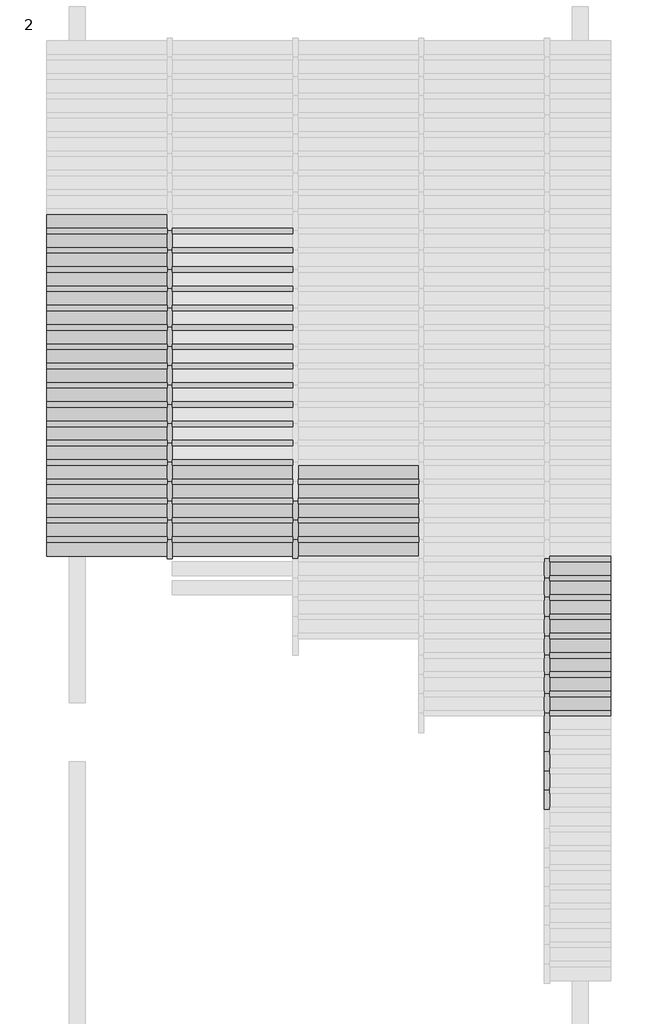
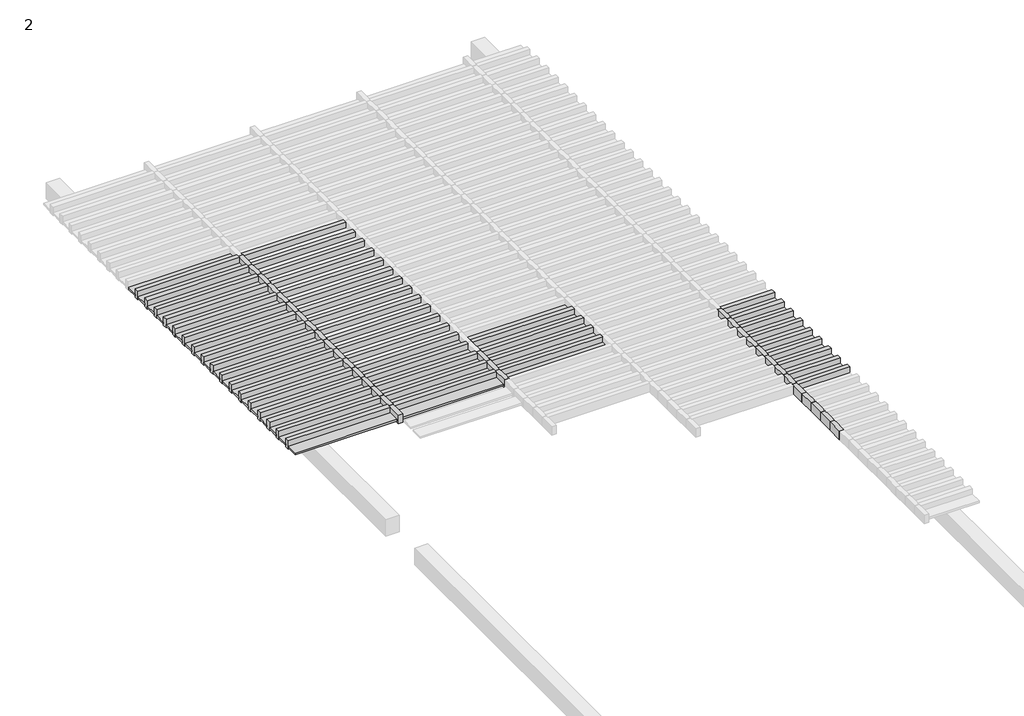
# One storey, part 17 of 20: 80 members, 36 plates.
"""IFC4 building model written with IfcOpenShell, lengths in millimetres."""

import ifcopenshell
import ifcopenshell.guid

model = None  # the IFC model being written
_history = None  # IfcOwnerHistory: only IFC2X3 demands one
_inside = {}  # id of a spatial element -> (the spatial element, [elements in it])
_under = {}  # id of a project, library or spatial element -> (it, [spatial elements below it])
_declared = {}  # id of a project -> (the project, [libraries it declares])
_typed = {}  # id of a type object -> (the type object, [elements of that type])
_made_of = {}  # id of a material, layer set ... -> (it, [elements and type objects made of it])


def new_model(schema):
    """Start an empty IFC model of exactly this schema.

    Asked for "IFC4X3", IfcOpenShell would pick the latest addendum, in which some entities
    have other attributes; the version numbers below select the first issue.
    IFC2X3 requires an IfcOwnerHistory on every rooted entity: one is made here for all.
    """
    global model, _history
    if schema == "IFC4X3":
        model = ifcopenshell.file(schema_version=(4, 3, 0, 0))
    else:
        model = ifcopenshell.file(schema=schema)
    _inside.clear()
    _under.clear()
    _declared.clear()
    _typed.clear()
    _made_of.clear()
    _history = None
    if model.schema == "IFC2X3":
        org = make("IfcOrganization", Name="unknown")
        user = make(
            "IfcPersonAndOrganization",
            ThePerson=make("IfcPerson", FamilyName="unknown"),
            TheOrganization=org,
        )
        app = make(
            "IfcApplication",
            ApplicationDeveloper=org,
            Version="unknown",
            ApplicationFullName="unknown",
            ApplicationIdentifier="unknown",
        )
        _history = make(
            "IfcOwnerHistory",
            OwningUser=user,
            OwningApplication=app,
            ChangeAction="ADDED",
            CreationDate=0,
        )
    return model


def make(cls, **values):
    """One entity of the class cls with the attributes given. An attribute that is None is left unset."""
    return model.create_entity(
        cls, **{name: value for name, value in values.items() if value is not None}
    )


def rooted(cls, **values):
    """An entity with a GlobalId (a new one), such as an element, a storey or a relation."""
    return make(cls, GlobalId=ifcopenshell.guid.new(), OwnerHistory=_history, **values)


def si_unit(unit_type, name, prefix=None):
    """IfcSIUnit, for example si_unit("LENGTHUNIT", "METRE", prefix="MILLI")."""
    return make("IfcSIUnit", UnitType=unit_type, Prefix=prefix, Name=name)


def assignment(units):
    """IfcUnitAssignment: the units of a project."""
    return None if units is None else make("IfcUnitAssignment", Units=units)


def point(xyz):
    """IfcCartesianPoint."""
    return None if xyz is None else make("IfcCartesianPoint", Coordinates=xyz)


def direction(xyz):
    """IfcDirection."""
    return None if xyz is None else make("IfcDirection", DirectionRatios=xyz)


def frame(location, z_axis=None, x_axis=None):
    """IfcAxis2Placement3D, a coordinate frame: its origin and axes. An axis left out is left unset."""
    return make(
        "IfcAxis2Placement3D",
        Location=point(location),
        Axis=direction(z_axis),
        RefDirection=direction(x_axis),
    )


def origin():
    """The frame at (0, 0, 0) with its axes left unset."""
    return frame((0.0, 0.0, 0.0))


def origin_with_axes():
    """The frame at (0, 0, 0) with the z axis (0, 0, 1) and the x axis (1, 0, 0) written out."""
    return frame((0.0, 0.0, 0.0), z_axis=(0.0, 0.0, 1.0), x_axis=(1.0, 0.0, 0.0))


def place(relative_to, where):
    """IfcLocalPlacement: puts the frame where relative to a parent placement (None: the world)."""
    return make(
        "IfcLocalPlacement", PlacementRelTo=relative_to, RelativePlacement=where
    )


def context(
    kind, dimensions, precision=None, world=None, true_north=None, identifier=None
):
    """IfcGeometricRepresentationContext, for example the 3D "Model" context."""
    return make(
        "IfcGeometricRepresentationContext",
        ContextIdentifier=identifier,
        ContextType=kind,
        CoordinateSpaceDimension=dimensions,
        Precision=precision,
        WorldCoordinateSystem=world,
        TrueNorth=true_north,
    )


def project(units=None, contexts=None):
    """IfcProject with its units and contexts."""
    return rooted(
        "IfcProject",
        Name="project",
        RepresentationContexts=contexts,
        UnitsInContext=assignment(units),
    )


def spatial(cls, under=None, at=None, **own):
    """A site, building, storey or space (cls), placed at a placement, below another one or the project."""
    s = rooted(cls, ObjectPlacement=at, **own)
    if under is not None:
        _under.setdefault(under.id(), (under, []))[1].append(s)
    return s


def polyline(points):
    """IfcPolyline through the points."""
    return make("IfcPolyline", Points=[point(p) for p in points])


def outline(outer, holes=None, kind="AREA"):
    """IfcArbitraryClosedProfileDef: a profile drawn as a closed curve; with holes, ...WithVoids."""
    if holes is None:
        return make("IfcArbitraryClosedProfileDef", ProfileType=kind, OuterCurve=outer)
    return make(
        "IfcArbitraryProfileDefWithVoids",
        ProfileType=kind,
        OuterCurve=outer,
        InnerCurves=holes,
    )


def extrude(swept, where, along, depth):
    """IfcExtrudedAreaSolid: the profile swept, set in the frame where, extruded along a direction by depth."""
    return make(
        "IfcExtrudedAreaSolid",
        SweptArea=swept,
        Position=where,
        ExtrudedDirection=direction(along),
        Depth=depth,
    )


def shape(context_of_items, identifier, shape_type, items):
    """IfcShapeRepresentation: the items that make up one representation, for example the "Body"."""
    return make(
        "IfcShapeRepresentation",
        ContextOfItems=context_of_items,
        RepresentationIdentifier=identifier,
        RepresentationType=shape_type,
        Items=items,
    )


def source(mapping_origin, context_of_items, identifier, shape_type, items):
    """IfcRepresentationMap: a shape defined once, which mapped items show again and again."""
    return make(
        "IfcRepresentationMap",
        MappingOrigin=mapping_origin,
        MappedRepresentation=shape(context_of_items, identifier, shape_type, items),
    )


def transform(
    local_origin,
    x_axis=None,
    y_axis=None,
    z_axis=None,
    scale=None,
    scale2=None,
    scale3=None,
    uniform=True,
):
    """IfcCartesianTransformationOperator3D, or its non-uniform kind. x_axis, y_axis, z_axis: its Axis1, 2, 3."""
    if uniform:
        return make(
            "IfcCartesianTransformationOperator3D",
            Axis1=direction(x_axis),
            Axis2=direction(y_axis),
            LocalOrigin=point(local_origin),
            Scale=scale,
            Axis3=direction(z_axis),
        )
    return make(
        "IfcCartesianTransformationOperator3DnonUniform",
        Axis1=direction(x_axis),
        Axis2=direction(y_axis),
        LocalOrigin=point(local_origin),
        Scale=scale,
        Axis3=direction(z_axis),
        Scale2=scale2,
        Scale3=scale3,
    )


def mapped(mapping_source, mapping_target):
    """IfcMappedItem: shows the shape of a source again, moved by a transform."""
    return make(
        "IfcMappedItem", MappingSource=mapping_source, MappingTarget=mapping_target
    )


def made_of(thing, what):
    """Note that an element or type object is made of a material, layer set ...; save() writes the relation."""
    if what is not None:
        _made_of.setdefault(what.id(), (what, []))[1].append(thing)
    return thing


def element(
    cls,
    number,
    at=None,
    inside=None,
    cuts=None,
    type_object=None,
    material=None,
    context=None,
    identifier="Body",
    shape_type=None,
    held_by="IfcProductDefinitionShape",
    body=None,
    shapes=None,
    **own,
):
    """One element of the class cls, such as IfcWall. Its Tag is "e" and its number.

    at: its placement. inside: the storey or other place that contains it. cuts: it is an
    opening in that element (IfcRelVoidsElement). A single representation is given by context,
    identifier, shape_type and body (its items); several are given by shapes. held_by: the class
    of the entity that holds the representations. save() writes the other relations.
    """
    e = rooted(cls, Tag="e%d" % number, ObjectPlacement=at, **own)
    if body is not None:
        shapes = [shape(context, identifier, shape_type, body)]
    if shapes is not None:
        e.Representation = make(held_by, Representations=shapes)
    if inside is not None:
        _inside.setdefault(inside.id(), (inside, []))[1].append(e)
    if cuts is not None:
        rooted(
            "IfcRelVoidsElement", RelatingBuildingElement=cuts, RelatedOpeningElement=e
        )
    if type_object is not None:
        _typed.setdefault(type_object.id(), (type_object, []))[1].append(e)
    return made_of(e, material)


def aggregate(whole, parts):
    """IfcRelAggregates: a whole, such as a stair, and the parts it consists of."""
    return rooted("IfcRelAggregates", RelatingObject=whole, RelatedObjects=parts)


def save(model, path):
    """Write the relations noted so far, then the file.

    IfcRelAggregates (storeys below a building ...), IfcRelContainedInSpatialStructure (elements
    in a storey), IfcRelDefinesByType, IfcRelAssociatesMaterial and IfcRelDeclares: one each for
    every whole, place, type object, material and project.
    """
    for whole, parts in _under.values():
        aggregate(whole, parts)
    for where, things in _inside.values():
        rooted(
            "IfcRelContainedInSpatialStructure",
            RelatedElements=things,
            RelatingStructure=where,
        )
    for kind, things in _typed.values():
        rooted("IfcRelDefinesByType", RelatedObjects=things, RelatingType=kind)
    for what, things in _made_of.values():
        rooted("IfcRelAssociatesMaterial", RelatedObjects=things, RelatingMaterial=what)
    for by, libraries in _declared.values():
        rooted("IfcRelDeclares", RelatingContext=by, RelatedDefinitions=libraries)
    model.write(path)


def rectangular_mullion_rectangular_mullion_1_2e36edf5(model_context):
    return source(origin(), model_context, "Body", "SweptSolid", [
        extrude(outline(polyline([(31.75, 63.5), (31.75, -63.5), (-31.75, -63.5), (-31.75, 63.5), (31.75, 63.5)])), frame((0.0, 0.0, -1436.5), z_axis=(0.0, 0.0, 1.0), x_axis=(1.0, 0.0, 0.0)), (0.0, 0.0, 1.0), 1436.5),
    ])


def rectangular_mullion_rectangular_mullion_1_a65447c9(model_context):
    return source(origin(), model_context, "Body", "SweptSolid", [
        extrude(outline(polyline([(31.75, 63.5), (31.75, -63.5), (-31.75, -63.5), (-31.75, 63.5), (31.75, 63.5)])), frame((0.0, 0.0, -728.9), z_axis=(0.0, 0.0, 1.0), x_axis=(1.0, 0.0, 0.0)), (0.0, 0.0, 1.0), 728.9),
    ])


def rectangular_mullion_rectangular_mullion_1_d94df714(model_context):
    return source(origin(), model_context, "Body", "SweptSolid", [
        extrude(outline(polyline([(31.75, 63.5), (31.75, -63.5), (-31.75, -63.5), (-31.75, 63.5), (31.75, 63.5)])), frame((0.0, 0.0, -230.0), z_axis=(0.0, 0.0, 1.0), x_axis=(1.0, 0.0, 0.0)), (0.0, 0.0, 1.0), 230.0),
    ])


def system_panel_glazed_08e8e96b(model_context):
    return source(origin(), model_context, "Body", "SweptSolid", [
        extrude(outline(polyline([(718.25, 19.05), (-718.25, 19.05), (-718.25, 44.45), (718.25, 44.45), (718.25, 19.05)])), origin_with_axes(), (0.0, 0.0, 1.0), 166.5),
    ])


def system_panel_glazed_44abc083(model_context):
    return source(origin(), model_context, "Body", "SweptSolid", [
        extrude(outline(polyline([(364.45, 19.05), (-364.45, 19.05), (-364.45, 44.45), (364.45, 44.45), (364.45, 19.05)])), origin_with_axes(), (0.0, 0.0, 1.0), 166.5),
    ])


model = new_model("IFC4")

# Units and contexts
model_context = context("Model", 3, world=origin())
ifc_project = project(units=[si_unit("LENGTHUNIT", "METRE", prefix="MILLI")], contexts=[model_context])

# Site, building, storey
site = spatial("IfcSite", under=ifc_project)
building = spatial("IfcBuilding", under=site)
storey = spatial("IfcBuildingStorey", under=building, Name="2", Elevation=6840.0)

# Members
placement = place(None, origin())
rectangular_mullion_rectangular_mullion_1_shape = rectangular_mullion_rectangular_mullion_1_2e36edf5(model_context)
element("IfcMember", 1, ObjectType="Rectangular Mullion : Rectangular Mullion 1", at=placement, inside=storey, context=model_context, shape_type="MappedRepresentation", body=[
    mapped(rectangular_mullion_rectangular_mullion_1_shape, transform((2077.9371269, 8225.1945338, 6840.0), x_axis=(0.0, 1.0, 0.0), y_axis=(0.0, 0.0, -1.0), z_axis=(-1.0, 0.0, 0.0))),
])
element("IfcMember", 2, ObjectType="Rectangular Mullion : Rectangular Mullion 1", at=placement, inside=storey, context=model_context, shape_type="MappedRepresentation", body=[
    mapped(rectangular_mullion_rectangular_mullion_1_shape, transform((2077.9371269, 8455.1945338, 6840.0), x_axis=(0.0, 1.0, 0.0), y_axis=(0.0, 0.0, -1.0), z_axis=(-1.0, 0.0, 0.0))),
])
element("IfcMember", 3, ObjectType="Rectangular Mullion : Rectangular Mullion 1", at=placement, inside=storey, context=model_context, shape_type="MappedRepresentation", body=[
    mapped(rectangular_mullion_rectangular_mullion_1_shape, transform((2077.9371269, 8685.1945338, 6840.0), x_axis=(0.0, 1.0, 0.0), y_axis=(0.0, 0.0, -1.0), z_axis=(-1.0, 0.0, 0.0))),
])
element("IfcMember", 4, ObjectType="Rectangular Mullion : Rectangular Mullion 1", at=placement, inside=storey, context=model_context, shape_type="MappedRepresentation", body=[
    mapped(rectangular_mullion_rectangular_mullion_1_shape, transform((2077.9371269, 8915.1945338, 6840.0), x_axis=(0.0, 1.0, 0.0), y_axis=(0.0, 0.0, -1.0), z_axis=(-1.0, 0.0, 0.0))),
])
element("IfcMember", 5, ObjectType="Rectangular Mullion : Rectangular Mullion 1", at=placement, inside=storey, context=model_context, shape_type="MappedRepresentation", body=[
    mapped(rectangular_mullion_rectangular_mullion_1_shape, transform((2077.9371269, 9145.1945338, 6840.0), x_axis=(0.0, 1.0, 0.0), y_axis=(0.0, 0.0, -1.0), z_axis=(-1.0, 0.0, 0.0))),
])
element("IfcMember", 6, ObjectType="Rectangular Mullion : Rectangular Mullion 1", at=placement, inside=storey, context=model_context, shape_type="MappedRepresentation", body=[
    mapped(rectangular_mullion_rectangular_mullion_1_shape, transform((2077.9371269, 9375.1945338, 6840.0), x_axis=(0.0, 1.0, 0.0), y_axis=(0.0, 0.0, -1.0), z_axis=(-1.0, 0.0, 0.0))),
])
element("IfcMember", 7, ObjectType="Rectangular Mullion : Rectangular Mullion 1", at=placement, inside=storey, context=model_context, shape_type="MappedRepresentation", body=[
    mapped(rectangular_mullion_rectangular_mullion_1_shape, transform((2077.9371269, 9605.1945338, 6840.0), x_axis=(0.0, 1.0, 0.0), y_axis=(0.0, 0.0, -1.0), z_axis=(-1.0, 0.0, 0.0))),
])
element("IfcMember", 8, ObjectType="Rectangular Mullion : Rectangular Mullion 1", at=placement, inside=storey, context=model_context, shape_type="MappedRepresentation", body=[
    mapped(rectangular_mullion_rectangular_mullion_1_shape, transform((2077.9371269, 9835.1945338, 6840.0), x_axis=(0.0, 1.0, 0.0), y_axis=(0.0, 0.0, -1.0), z_axis=(-1.0, 0.0, 0.0))),
])
element("IfcMember", 9, ObjectType="Rectangular Mullion : Rectangular Mullion 1", at=placement, inside=storey, context=model_context, shape_type="MappedRepresentation", body=[
    mapped(rectangular_mullion_rectangular_mullion_1_shape, transform((2077.9371269, 10065.1945338, 6840.0), x_axis=(0.0, 1.0, 0.0), y_axis=(0.0, 0.0, -1.0), z_axis=(-1.0, 0.0, 0.0))),
])
element("IfcMember", 10, ObjectType="Rectangular Mullion : Rectangular Mullion 1", at=placement, inside=storey, context=model_context, shape_type="MappedRepresentation", body=[
    mapped(rectangular_mullion_rectangular_mullion_1_shape, transform((2077.9371269, 10295.1945338, 6840.0), x_axis=(0.0, 1.0, 0.0), y_axis=(0.0, 0.0, -1.0), z_axis=(-1.0, 0.0, 0.0))),
])
element("IfcMember", 11, ObjectType="Rectangular Mullion : Rectangular Mullion 1", at=placement, inside=storey, context=model_context, shape_type="MappedRepresentation", body=[
    mapped(rectangular_mullion_rectangular_mullion_1_shape, transform((2077.9371269, 10525.1945338, 6840.0), x_axis=(0.0, 1.0, 0.0), y_axis=(0.0, 0.0, -1.0), z_axis=(-1.0, 0.0, 0.0))),
])
element("IfcMember", 12, ObjectType="Rectangular Mullion : Rectangular Mullion 1", at=placement, inside=storey, context=model_context, shape_type="MappedRepresentation", body=[
    mapped(rectangular_mullion_rectangular_mullion_1_shape, transform((2077.9371269, 10755.1945338, 6840.0), x_axis=(0.0, 1.0, 0.0), y_axis=(0.0, 0.0, -1.0), z_axis=(-1.0, 0.0, 0.0))),
])
element("IfcMember", 13, ObjectType="Rectangular Mullion : Rectangular Mullion 1", at=placement, inside=storey, context=model_context, shape_type="MappedRepresentation", body=[
    mapped(rectangular_mullion_rectangular_mullion_1_shape, transform((2077.9371269, 10985.1945338, 6840.0), x_axis=(0.0, 1.0, 0.0), y_axis=(0.0, 0.0, -1.0), z_axis=(-1.0, 0.0, 0.0))),
])
element("IfcMember", 14, ObjectType="Rectangular Mullion : Rectangular Mullion 1", at=placement, inside=storey, context=model_context, shape_type="MappedRepresentation", body=[
    mapped(rectangular_mullion_rectangular_mullion_1_shape, transform((2077.9371269, 11215.1945338, 6840.0), x_axis=(0.0, 1.0, 0.0), y_axis=(0.0, 0.0, -1.0), z_axis=(-1.0, 0.0, 0.0))),
])
element("IfcMember", 15, ObjectType="Rectangular Mullion : Rectangular Mullion 1", at=placement, inside=storey, context=model_context, shape_type="MappedRepresentation", body=[
    mapped(rectangular_mullion_rectangular_mullion_1_shape, transform((2077.9371269, 11445.1945338, 6840.0), x_axis=(0.0, 1.0, 0.0), y_axis=(0.0, 0.0, -1.0), z_axis=(-1.0, 0.0, 0.0))),
])
element("IfcMember", 16, ObjectType="Rectangular Mullion : Rectangular Mullion 1", at=placement, inside=storey, context=model_context, shape_type="MappedRepresentation", body=[
    mapped(rectangular_mullion_rectangular_mullion_1_shape, transform((2077.9371269, 11675.1945338, 6840.0), x_axis=(0.0, 1.0, 0.0), y_axis=(0.0, 0.0, -1.0), z_axis=(-1.0, 0.0, 0.0))),
])
element("IfcMember", 17, ObjectType="Rectangular Mullion : Rectangular Mullion 1", at=placement, inside=storey, context=model_context, shape_type="MappedRepresentation", body=[
    mapped(rectangular_mullion_rectangular_mullion_1_shape, transform((2077.9371269, 11905.1945338, 6840.0), x_axis=(0.0, 1.0, 0.0), y_axis=(0.0, 0.0, -1.0), z_axis=(-1.0, 0.0, 0.0))),
])
element("IfcMember", 18, ObjectType="Rectangular Mullion : Rectangular Mullion 1", at=placement, inside=storey, context=model_context, shape_type="MappedRepresentation", body=[
    mapped(rectangular_mullion_rectangular_mullion_1_shape, transform((3577.9371269, 8225.1945338, 6840.0), x_axis=(0.0, 1.0, 0.0), y_axis=(0.0, 0.0, -1.0), z_axis=(-1.0, 0.0, 0.0))),
])
element("IfcMember", 19, ObjectType="Rectangular Mullion : Rectangular Mullion 1", at=placement, inside=storey, context=model_context, shape_type="MappedRepresentation", body=[
    mapped(rectangular_mullion_rectangular_mullion_1_shape, transform((5077.9371269, 8225.1945338, 6840.0), x_axis=(0.0, 1.0, 0.0), y_axis=(0.0, 0.0, -1.0), z_axis=(-1.0, 0.0, 0.0))),
])
element("IfcMember", 20, ObjectType="Rectangular Mullion : Rectangular Mullion 1", at=placement, inside=storey, context=model_context, shape_type="MappedRepresentation", body=[
    mapped(rectangular_mullion_rectangular_mullion_1_shape, transform((3577.9371269, 8455.1945338, 6840.0), x_axis=(0.0, 1.0, 0.0), y_axis=(0.0, 0.0, -1.0), z_axis=(-1.0, 0.0, 0.0))),
])
element("IfcMember", 21, ObjectType="Rectangular Mullion : Rectangular Mullion 1", at=placement, inside=storey, context=model_context, shape_type="MappedRepresentation", body=[
    mapped(rectangular_mullion_rectangular_mullion_1_shape, transform((5077.9371269, 8455.1945338, 6840.0), x_axis=(0.0, 1.0, 0.0), y_axis=(0.0, 0.0, -1.0), z_axis=(-1.0, 0.0, 0.0))),
])
element("IfcMember", 22, ObjectType="Rectangular Mullion : Rectangular Mullion 1", at=placement, inside=storey, context=model_context, shape_type="MappedRepresentation", body=[
    mapped(rectangular_mullion_rectangular_mullion_1_shape, transform((3577.9371269, 8685.1945338, 6840.0), x_axis=(0.0, 1.0, 0.0), y_axis=(0.0, 0.0, -1.0), z_axis=(-1.0, 0.0, 0.0))),
])
element("IfcMember", 23, ObjectType="Rectangular Mullion : Rectangular Mullion 1", at=placement, inside=storey, context=model_context, shape_type="MappedRepresentation", body=[
    mapped(rectangular_mullion_rectangular_mullion_1_shape, transform((5077.9371269, 8685.1945338, 6840.0), x_axis=(0.0, 1.0, 0.0), y_axis=(0.0, 0.0, -1.0), z_axis=(-1.0, 0.0, 0.0))),
])
element("IfcMember", 24, ObjectType="Rectangular Mullion : Rectangular Mullion 1", at=placement, inside=storey, context=model_context, shape_type="MappedRepresentation", body=[
    mapped(rectangular_mullion_rectangular_mullion_1_shape, transform((3577.9371269, 8915.1945338, 6840.0), x_axis=(0.0, 1.0, 0.0), y_axis=(0.0, 0.0, -1.0), z_axis=(-1.0, 0.0, 0.0))),
])
element("IfcMember", 25, ObjectType="Rectangular Mullion : Rectangular Mullion 1", at=placement, inside=storey, context=model_context, shape_type="MappedRepresentation", body=[
    mapped(rectangular_mullion_rectangular_mullion_1_shape, transform((5077.9371269, 8915.1945338, 6840.0), x_axis=(0.0, 1.0, 0.0), y_axis=(0.0, 0.0, -1.0), z_axis=(-1.0, 0.0, 0.0))),
])
element("IfcMember", 26, ObjectType="Rectangular Mullion : Rectangular Mullion 1", at=placement, inside=storey, context=model_context, shape_type="MappedRepresentation", body=[
    mapped(rectangular_mullion_rectangular_mullion_1_shape, transform((3577.9371269, 9145.1945338, 6840.0), x_axis=(0.0, 1.0, 0.0), y_axis=(0.0, 0.0, -1.0), z_axis=(-1.0, 0.0, 0.0))),
])
element("IfcMember", 27, ObjectType="Rectangular Mullion : Rectangular Mullion 1", at=placement, inside=storey, context=model_context, shape_type="MappedRepresentation", body=[
    mapped(rectangular_mullion_rectangular_mullion_1_shape, transform((3577.9371269, 9375.1945338, 6840.0), x_axis=(0.0, 1.0, 0.0), y_axis=(0.0, 0.0, -1.0), z_axis=(-1.0, 0.0, 0.0))),
])
element("IfcMember", 28, ObjectType="Rectangular Mullion : Rectangular Mullion 1", at=placement, inside=storey, context=model_context, shape_type="MappedRepresentation", body=[
    mapped(rectangular_mullion_rectangular_mullion_1_shape, transform((3577.9371269, 9605.1945338, 6840.0), x_axis=(0.0, 1.0, 0.0), y_axis=(0.0, 0.0, -1.0), z_axis=(-1.0, 0.0, 0.0))),
])
element("IfcMember", 29, ObjectType="Rectangular Mullion : Rectangular Mullion 1", at=placement, inside=storey, context=model_context, shape_type="MappedRepresentation", body=[
    mapped(rectangular_mullion_rectangular_mullion_1_shape, transform((3577.9371269, 9835.1945338, 6840.0), x_axis=(0.0, 1.0, 0.0), y_axis=(0.0, 0.0, -1.0), z_axis=(-1.0, 0.0, 0.0))),
])
element("IfcMember", 30, ObjectType="Rectangular Mullion : Rectangular Mullion 1", at=placement, inside=storey, context=model_context, shape_type="MappedRepresentation", body=[
    mapped(rectangular_mullion_rectangular_mullion_1_shape, transform((3577.9371269, 10065.1945338, 6840.0), x_axis=(0.0, 1.0, 0.0), y_axis=(0.0, 0.0, -1.0), z_axis=(-1.0, 0.0, 0.0))),
])
element("IfcMember", 31, ObjectType="Rectangular Mullion : Rectangular Mullion 1", at=placement, inside=storey, context=model_context, shape_type="MappedRepresentation", body=[
    mapped(rectangular_mullion_rectangular_mullion_1_shape, transform((3577.9371269, 10295.1945338, 6840.0), x_axis=(0.0, 1.0, 0.0), y_axis=(0.0, 0.0, -1.0), z_axis=(-1.0, 0.0, 0.0))),
])
element("IfcMember", 32, ObjectType="Rectangular Mullion : Rectangular Mullion 1", at=placement, inside=storey, context=model_context, shape_type="MappedRepresentation", body=[
    mapped(rectangular_mullion_rectangular_mullion_1_shape, transform((3577.9371269, 10525.1945338, 6840.0), x_axis=(0.0, 1.0, 0.0), y_axis=(0.0, 0.0, -1.0), z_axis=(-1.0, 0.0, 0.0))),
])
element("IfcMember", 33, ObjectType="Rectangular Mullion : Rectangular Mullion 1", at=placement, inside=storey, context=model_context, shape_type="MappedRepresentation", body=[
    mapped(rectangular_mullion_rectangular_mullion_1_shape, transform((3577.9371269, 10755.1945338, 6840.0), x_axis=(0.0, 1.0, 0.0), y_axis=(0.0, 0.0, -1.0), z_axis=(-1.0, 0.0, 0.0))),
])
element("IfcMember", 34, ObjectType="Rectangular Mullion : Rectangular Mullion 1", at=placement, inside=storey, context=model_context, shape_type="MappedRepresentation", body=[
    mapped(rectangular_mullion_rectangular_mullion_1_shape, transform((3577.9371269, 10985.1945338, 6840.0), x_axis=(0.0, 1.0, 0.0), y_axis=(0.0, 0.0, -1.0), z_axis=(-1.0, 0.0, 0.0))),
])
element("IfcMember", 35, ObjectType="Rectangular Mullion : Rectangular Mullion 1", at=placement, inside=storey, context=model_context, shape_type="MappedRepresentation", body=[
    mapped(rectangular_mullion_rectangular_mullion_1_shape, transform((3577.9371269, 11215.1945338, 6840.0), x_axis=(0.0, 1.0, 0.0), y_axis=(0.0, 0.0, -1.0), z_axis=(-1.0, 0.0, 0.0))),
])
element("IfcMember", 36, ObjectType="Rectangular Mullion : Rectangular Mullion 1", at=placement, inside=storey, context=model_context, shape_type="MappedRepresentation", body=[
    mapped(rectangular_mullion_rectangular_mullion_1_shape, transform((3577.9371269, 11445.1945338, 6840.0), x_axis=(0.0, 1.0, 0.0), y_axis=(0.0, 0.0, -1.0), z_axis=(-1.0, 0.0, 0.0))),
])
element("IfcMember", 37, ObjectType="Rectangular Mullion : Rectangular Mullion 1", at=placement, inside=storey, context=model_context, shape_type="MappedRepresentation", body=[
    mapped(rectangular_mullion_rectangular_mullion_1_shape, transform((3577.9371269, 11675.1945338, 6840.0), x_axis=(0.0, 1.0, 0.0), y_axis=(0.0, 0.0, -1.0), z_axis=(-1.0, 0.0, 0.0))),
])
element("IfcMember", 38, ObjectType="Rectangular Mullion : Rectangular Mullion 1", at=placement, inside=storey, context=model_context, shape_type="MappedRepresentation", body=[
    mapped(rectangular_mullion_rectangular_mullion_1_shape, transform((3577.9371269, 11905.1945338, 6840.0), x_axis=(0.0, 1.0, 0.0), y_axis=(0.0, 0.0, -1.0), z_axis=(-1.0, 0.0, 0.0))),
])
rectangular_mullion_rectangular_mullion_1_2_shape = rectangular_mullion_rectangular_mullion_1_a65447c9(model_context)
element("IfcMember", 39, ObjectType="Rectangular Mullion : Rectangular Mullion 1", at=placement, inside=storey, context=model_context, shape_type="MappedRepresentation", body=[
    mapped(rectangular_mullion_rectangular_mullion_1_2_shape, transform((8077.9371269, 6155.1945338, 6840.0), x_axis=(0.0, 1.0, 0.0), y_axis=(0.0, 0.0, -1.0), z_axis=(-1.0, 0.0, 0.0))),
])
element("IfcMember", 40, ObjectType="Rectangular Mullion : Rectangular Mullion 1", at=placement, inside=storey, context=model_context, shape_type="MappedRepresentation", body=[
    mapped(rectangular_mullion_rectangular_mullion_1_2_shape, transform((8077.9371269, 6385.1945338, 6840.0), x_axis=(0.0, 1.0, 0.0), y_axis=(0.0, 0.0, -1.0), z_axis=(-1.0, 0.0, 0.0))),
])
element("IfcMember", 41, ObjectType="Rectangular Mullion : Rectangular Mullion 1", at=placement, inside=storey, context=model_context, shape_type="MappedRepresentation", body=[
    mapped(rectangular_mullion_rectangular_mullion_1_2_shape, transform((8077.9371269, 6615.1945338, 6840.0), x_axis=(0.0, 1.0, 0.0), y_axis=(0.0, 0.0, -1.0), z_axis=(-1.0, 0.0, 0.0))),
])
element("IfcMember", 42, ObjectType="Rectangular Mullion : Rectangular Mullion 1", at=placement, inside=storey, context=model_context, shape_type="MappedRepresentation", body=[
    mapped(rectangular_mullion_rectangular_mullion_1_2_shape, transform((8077.9371269, 6845.1945338, 6840.0), x_axis=(0.0, 1.0, 0.0), y_axis=(0.0, 0.0, -1.0), z_axis=(-1.0, 0.0, 0.0))),
])
element("IfcMember", 43, ObjectType="Rectangular Mullion : Rectangular Mullion 1", at=placement, inside=storey, context=model_context, shape_type="MappedRepresentation", body=[
    mapped(rectangular_mullion_rectangular_mullion_1_2_shape, transform((8077.9371269, 7075.1945338, 6840.0), x_axis=(0.0, 1.0, 0.0), y_axis=(0.0, 0.0, -1.0), z_axis=(-1.0, 0.0, 0.0))),
])
element("IfcMember", 44, ObjectType="Rectangular Mullion : Rectangular Mullion 1", at=placement, inside=storey, context=model_context, shape_type="MappedRepresentation", body=[
    mapped(rectangular_mullion_rectangular_mullion_1_2_shape, transform((8077.9371269, 7305.1945338, 6840.0), x_axis=(0.0, 1.0, 0.0), y_axis=(0.0, 0.0, -1.0), z_axis=(-1.0, 0.0, 0.0))),
])
element("IfcMember", 45, ObjectType="Rectangular Mullion : Rectangular Mullion 1", at=placement, inside=storey, context=model_context, shape_type="MappedRepresentation", body=[
    mapped(rectangular_mullion_rectangular_mullion_1_2_shape, transform((8077.9371269, 7535.1945338, 6840.0), x_axis=(0.0, 1.0, 0.0), y_axis=(0.0, 0.0, -1.0), z_axis=(-1.0, 0.0, 0.0))),
])
element("IfcMember", 46, ObjectType="Rectangular Mullion : Rectangular Mullion 1", at=placement, inside=storey, context=model_context, shape_type="MappedRepresentation", body=[
    mapped(rectangular_mullion_rectangular_mullion_1_2_shape, transform((8077.9371269, 7765.1945338, 6840.0), x_axis=(0.0, 1.0, 0.0), y_axis=(0.0, 0.0, -1.0), z_axis=(-1.0, 0.0, 0.0))),
])
element("IfcMember", 47, ObjectType="Rectangular Mullion : Rectangular Mullion 1", at=placement, inside=storey, context=model_context, shape_type="MappedRepresentation", body=[
    mapped(rectangular_mullion_rectangular_mullion_1_2_shape, transform((8077.9371269, 7995.1945338, 6840.0), x_axis=(0.0, 1.0, 0.0), y_axis=(0.0, 0.0, -1.0), z_axis=(-1.0, 0.0, 0.0))),
])
rectangular_mullion_rectangular_mullion_1_3_shape = rectangular_mullion_rectangular_mullion_1_d94df714(model_context)
element("IfcMember", 48, ObjectType="Rectangular Mullion : Rectangular Mullion 1", at=placement, inside=storey, context=model_context, shape_type="MappedRepresentation", body=[
    mapped(rectangular_mullion_rectangular_mullion_1_3_shape, transform((8046.1871269, 5235.1945338, 6840.0), x_axis=(1.0, 0.0, 0.0), y_axis=(0.0, 0.0, -1.0), z_axis=(0.0, 1.0, 0.0))),
])
element("IfcMember", 49, ObjectType="Rectangular Mullion : Rectangular Mullion 1", at=placement, inside=storey, context=model_context, shape_type="MappedRepresentation", body=[
    mapped(rectangular_mullion_rectangular_mullion_1_3_shape, transform((8046.1871269, 5465.1945338, 6840.0), x_axis=(1.0, 0.0, 0.0), y_axis=(0.0, 0.0, -1.0), z_axis=(0.0, 1.0, 0.0))),
])
element("IfcMember", 50, ObjectType="Rectangular Mullion : Rectangular Mullion 1", at=placement, inside=storey, context=model_context, shape_type="MappedRepresentation", body=[
    mapped(rectangular_mullion_rectangular_mullion_1_3_shape, transform((8046.1871269, 5695.1945338, 6840.0), x_axis=(1.0, 0.0, 0.0), y_axis=(0.0, 0.0, -1.0), z_axis=(0.0, 1.0, 0.0))),
])
element("IfcMember", 51, ObjectType="Rectangular Mullion : Rectangular Mullion 1", at=placement, inside=storey, context=model_context, shape_type="MappedRepresentation", body=[
    mapped(rectangular_mullion_rectangular_mullion_1_3_shape, transform((8046.1871269, 5925.1945338, 6840.0), x_axis=(1.0, 0.0, 0.0), y_axis=(0.0, 0.0, -1.0), z_axis=(0.0, 1.0, 0.0))),
])
element("IfcMember", 52, ObjectType="Rectangular Mullion : Rectangular Mullion 1", at=placement, inside=storey, context=model_context, shape_type="MappedRepresentation", body=[
    mapped(rectangular_mullion_rectangular_mullion_1_3_shape, transform((8046.1871269, 6155.1945338, 6840.0), x_axis=(1.0, 0.0, 0.0), y_axis=(0.0, 0.0, -1.0), z_axis=(0.0, 1.0, 0.0))),
])
element("IfcMember", 53, ObjectType="Rectangular Mullion : Rectangular Mullion 1", at=placement, inside=storey, context=model_context, shape_type="MappedRepresentation", body=[
    mapped(rectangular_mullion_rectangular_mullion_1_3_shape, transform((8046.1871269, 6385.1945338, 6840.0), x_axis=(1.0, 0.0, 0.0), y_axis=(0.0, 0.0, -1.0), z_axis=(0.0, 1.0, 0.0))),
])
element("IfcMember", 54, ObjectType="Rectangular Mullion : Rectangular Mullion 1", at=placement, inside=storey, context=model_context, shape_type="MappedRepresentation", body=[
    mapped(rectangular_mullion_rectangular_mullion_1_3_shape, transform((8046.1871269, 6615.1945338, 6840.0), x_axis=(1.0, 0.0, 0.0), y_axis=(0.0, 0.0, -1.0), z_axis=(0.0, 1.0, 0.0))),
])
element("IfcMember", 55, ObjectType="Rectangular Mullion : Rectangular Mullion 1", at=placement, inside=storey, context=model_context, shape_type="MappedRepresentation", body=[
    mapped(rectangular_mullion_rectangular_mullion_1_3_shape, transform((8046.1871269, 6845.1945338, 6840.0), x_axis=(1.0, 0.0, 0.0), y_axis=(0.0, 0.0, -1.0), z_axis=(0.0, 1.0, 0.0))),
])
element("IfcMember", 56, ObjectType="Rectangular Mullion : Rectangular Mullion 1", at=placement, inside=storey, context=model_context, shape_type="MappedRepresentation", body=[
    mapped(rectangular_mullion_rectangular_mullion_1_3_shape, transform((8046.1871269, 7075.1945338, 6840.0), x_axis=(1.0, 0.0, 0.0), y_axis=(0.0, 0.0, -1.0), z_axis=(0.0, 1.0, 0.0))),
])
element("IfcMember", 57, ObjectType="Rectangular Mullion : Rectangular Mullion 1", at=placement, inside=storey, context=model_context, shape_type="MappedRepresentation", body=[
    mapped(rectangular_mullion_rectangular_mullion_1_3_shape, transform((8046.1871269, 7305.1945338, 6840.0), x_axis=(1.0, 0.0, 0.0), y_axis=(0.0, 0.0, -1.0), z_axis=(0.0, 1.0, 0.0))),
])
element("IfcMember", 58, ObjectType="Rectangular Mullion : Rectangular Mullion 1", at=placement, inside=storey, context=model_context, shape_type="MappedRepresentation", body=[
    mapped(rectangular_mullion_rectangular_mullion_1_3_shape, transform((8046.1871269, 7535.1945338, 6840.0), x_axis=(1.0, 0.0, 0.0), y_axis=(0.0, 0.0, -1.0), z_axis=(0.0, 1.0, 0.0))),
])
element("IfcMember", 59, ObjectType="Rectangular Mullion : Rectangular Mullion 1", at=placement, inside=storey, context=model_context, shape_type="MappedRepresentation", body=[
    mapped(rectangular_mullion_rectangular_mullion_1_3_shape, transform((8046.1871269, 7765.1945338, 6840.0), x_axis=(1.0, 0.0, 0.0), y_axis=(0.0, 0.0, -1.0), z_axis=(0.0, 1.0, 0.0))),
])
element("IfcMember", 60, ObjectType="Rectangular Mullion : Rectangular Mullion 1", at=placement, inside=storey, context=model_context, shape_type="MappedRepresentation", body=[
    mapped(rectangular_mullion_rectangular_mullion_1_3_shape, transform((8046.1871269, 7995.1945338, 6840.0), x_axis=(1.0, 0.0, 0.0), y_axis=(0.0, 0.0, -1.0), z_axis=(0.0, 1.0, 0.0))),
])
element("IfcMember", 61, ObjectType="Rectangular Mullion : Rectangular Mullion 1", at=placement, inside=storey, context=model_context, shape_type="MappedRepresentation", body=[
    mapped(rectangular_mullion_rectangular_mullion_1_3_shape, transform((3546.1871269, 8225.1945338, 6840.0), x_axis=(1.0, 0.0, 0.0), y_axis=(0.0, 0.0, -1.0), z_axis=(0.0, 1.0, 0.0))),
])
element("IfcMember", 62, ObjectType="Rectangular Mullion : Rectangular Mullion 1", at=placement, inside=storey, context=model_context, shape_type="MappedRepresentation", body=[
    mapped(rectangular_mullion_rectangular_mullion_1_3_shape, transform((5046.1871269, 8225.1945338, 6840.0), x_axis=(1.0, 0.0, 0.0), y_axis=(0.0, 0.0, -1.0), z_axis=(0.0, 1.0, 0.0))),
])
element("IfcMember", 63, ObjectType="Rectangular Mullion : Rectangular Mullion 1", at=placement, inside=storey, context=model_context, shape_type="MappedRepresentation", body=[
    mapped(rectangular_mullion_rectangular_mullion_1_3_shape, transform((3546.1871269, 8455.1945338, 6840.0), x_axis=(1.0, 0.0, 0.0), y_axis=(0.0, 0.0, -1.0), z_axis=(0.0, 1.0, 0.0))),
])
element("IfcMember", 64, ObjectType="Rectangular Mullion : Rectangular Mullion 1", at=placement, inside=storey, context=model_context, shape_type="MappedRepresentation", body=[
    mapped(rectangular_mullion_rectangular_mullion_1_3_shape, transform((5046.1871269, 8455.1945338, 6840.0), x_axis=(1.0, 0.0, 0.0), y_axis=(0.0, 0.0, -1.0), z_axis=(0.0, 1.0, 0.0))),
])
element("IfcMember", 65, ObjectType="Rectangular Mullion : Rectangular Mullion 1", at=placement, inside=storey, context=model_context, shape_type="MappedRepresentation", body=[
    mapped(rectangular_mullion_rectangular_mullion_1_3_shape, transform((3546.1871269, 8685.1945338, 6840.0), x_axis=(1.0, 0.0, 0.0), y_axis=(0.0, 0.0, -1.0), z_axis=(0.0, 1.0, 0.0))),
])
element("IfcMember", 66, ObjectType="Rectangular Mullion : Rectangular Mullion 1", at=placement, inside=storey, context=model_context, shape_type="MappedRepresentation", body=[
    mapped(rectangular_mullion_rectangular_mullion_1_3_shape, transform((5046.1871269, 8685.1945338, 6840.0), x_axis=(1.0, 0.0, 0.0), y_axis=(0.0, 0.0, -1.0), z_axis=(0.0, 1.0, 0.0))),
])
element("IfcMember", 67, ObjectType="Rectangular Mullion : Rectangular Mullion 1", at=placement, inside=storey, context=model_context, shape_type="MappedRepresentation", body=[
    mapped(rectangular_mullion_rectangular_mullion_1_3_shape, transform((3546.1871269, 8915.1945338, 6840.0), x_axis=(1.0, 0.0, 0.0), y_axis=(0.0, 0.0, -1.0), z_axis=(0.0, 1.0, 0.0))),
])
element("IfcMember", 68, ObjectType="Rectangular Mullion : Rectangular Mullion 1", at=placement, inside=storey, context=model_context, shape_type="MappedRepresentation", body=[
    mapped(rectangular_mullion_rectangular_mullion_1_3_shape, transform((3546.1871269, 9145.1945338, 6840.0), x_axis=(1.0, 0.0, 0.0), y_axis=(0.0, 0.0, -1.0), z_axis=(0.0, 1.0, 0.0))),
])
element("IfcMember", 69, ObjectType="Rectangular Mullion : Rectangular Mullion 1", at=placement, inside=storey, context=model_context, shape_type="MappedRepresentation", body=[
    mapped(rectangular_mullion_rectangular_mullion_1_3_shape, transform((3546.1871269, 9375.1945338, 6840.0), x_axis=(1.0, 0.0, 0.0), y_axis=(0.0, 0.0, -1.0), z_axis=(0.0, 1.0, 0.0))),
])
element("IfcMember", 70, ObjectType="Rectangular Mullion : Rectangular Mullion 1", at=placement, inside=storey, context=model_context, shape_type="MappedRepresentation", body=[
    mapped(rectangular_mullion_rectangular_mullion_1_3_shape, transform((3546.1871269, 9605.1945338, 6840.0), x_axis=(1.0, 0.0, 0.0), y_axis=(0.0, 0.0, -1.0), z_axis=(0.0, 1.0, 0.0))),
])
element("IfcMember", 71, ObjectType="Rectangular Mullion : Rectangular Mullion 1", at=placement, inside=storey, context=model_context, shape_type="MappedRepresentation", body=[
    mapped(rectangular_mullion_rectangular_mullion_1_3_shape, transform((3546.1871269, 9835.1945338, 6840.0), x_axis=(1.0, 0.0, 0.0), y_axis=(0.0, 0.0, -1.0), z_axis=(0.0, 1.0, 0.0))),
])
element("IfcMember", 72, ObjectType="Rectangular Mullion : Rectangular Mullion 1", at=placement, inside=storey, context=model_context, shape_type="MappedRepresentation", body=[
    mapped(rectangular_mullion_rectangular_mullion_1_3_shape, transform((3546.1871269, 10065.1945338, 6840.0), x_axis=(1.0, 0.0, 0.0), y_axis=(0.0, 0.0, -1.0), z_axis=(0.0, 1.0, 0.0))),
])
element("IfcMember", 73, ObjectType="Rectangular Mullion : Rectangular Mullion 1", at=placement, inside=storey, context=model_context, shape_type="MappedRepresentation", body=[
    mapped(rectangular_mullion_rectangular_mullion_1_3_shape, transform((3546.1871269, 10295.1945338, 6840.0), x_axis=(1.0, 0.0, 0.0), y_axis=(0.0, 0.0, -1.0), z_axis=(0.0, 1.0, 0.0))),
])
element("IfcMember", 74, ObjectType="Rectangular Mullion : Rectangular Mullion 1", at=placement, inside=storey, context=model_context, shape_type="MappedRepresentation", body=[
    mapped(rectangular_mullion_rectangular_mullion_1_3_shape, transform((3546.1871269, 10525.1945338, 6840.0), x_axis=(1.0, 0.0, 0.0), y_axis=(0.0, 0.0, -1.0), z_axis=(0.0, 1.0, 0.0))),
])
element("IfcMember", 75, ObjectType="Rectangular Mullion : Rectangular Mullion 1", at=placement, inside=storey, context=model_context, shape_type="MappedRepresentation", body=[
    mapped(rectangular_mullion_rectangular_mullion_1_3_shape, transform((3546.1871269, 10755.1945338, 6840.0), x_axis=(1.0, 0.0, 0.0), y_axis=(0.0, 0.0, -1.0), z_axis=(0.0, 1.0, 0.0))),
])
element("IfcMember", 76, ObjectType="Rectangular Mullion : Rectangular Mullion 1", at=placement, inside=storey, context=model_context, shape_type="MappedRepresentation", body=[
    mapped(rectangular_mullion_rectangular_mullion_1_3_shape, transform((3546.1871269, 10985.1945338, 6840.0), x_axis=(1.0, 0.0, 0.0), y_axis=(0.0, 0.0, -1.0), z_axis=(0.0, 1.0, 0.0))),
])
element("IfcMember", 77, ObjectType="Rectangular Mullion : Rectangular Mullion 1", at=placement, inside=storey, context=model_context, shape_type="MappedRepresentation", body=[
    mapped(rectangular_mullion_rectangular_mullion_1_3_shape, transform((3546.1871269, 11215.1945338, 6840.0), x_axis=(1.0, 0.0, 0.0), y_axis=(0.0, 0.0, -1.0), z_axis=(0.0, 1.0, 0.0))),
])
element("IfcMember", 78, ObjectType="Rectangular Mullion : Rectangular Mullion 1", at=placement, inside=storey, context=model_context, shape_type="MappedRepresentation", body=[
    mapped(rectangular_mullion_rectangular_mullion_1_3_shape, transform((3546.1871269, 11445.1945338, 6840.0), x_axis=(1.0, 0.0, 0.0), y_axis=(0.0, 0.0, -1.0), z_axis=(0.0, 1.0, 0.0))),
])
element("IfcMember", 79, ObjectType="Rectangular Mullion : Rectangular Mullion 1", at=placement, inside=storey, context=model_context, shape_type="MappedRepresentation", body=[
    mapped(rectangular_mullion_rectangular_mullion_1_3_shape, transform((3546.1871269, 11675.1945338, 6840.0), x_axis=(1.0, 0.0, 0.0), y_axis=(0.0, 0.0, -1.0), z_axis=(0.0, 1.0, 0.0))),
])
element("IfcMember", 80, ObjectType="Rectangular Mullion : Rectangular Mullion 1", at=placement, inside=storey, context=model_context, shape_type="MappedRepresentation", body=[
    mapped(rectangular_mullion_rectangular_mullion_1_3_shape, transform((3546.1871269, 11905.1945338, 6840.0), x_axis=(1.0, 0.0, 0.0), y_axis=(0.0, 0.0, -1.0), z_axis=(0.0, 1.0, 0.0))),
])

# Plates
system_panel_glazed_shape = system_panel_glazed_08e8e96b(model_context)
element("IfcPlate", 81, ObjectType="System Panel : Glazed", at=placement, inside=storey, context=model_context, shape_type="MappedRepresentation", body=[
    mapped(system_panel_glazed_shape, transform((2796.1871269, 8026.9445338, 6840.0), x_axis=(1.0, 0.0, 0.0), y_axis=(0.0, 0.0, -1.0), z_axis=(0.0, 1.0, 0.0))),
])
element("IfcPlate", 82, ObjectType="System Panel : Glazed", at=placement, inside=storey, context=model_context, shape_type="MappedRepresentation", body=[
    mapped(system_panel_glazed_shape, transform((4296.1871269, 8026.9445338, 6840.0), x_axis=(1.0, 0.0, 0.0), y_axis=(0.0, 0.0, -1.0), z_axis=(0.0, 1.0, 0.0))),
])
element("IfcPlate", 83, ObjectType="System Panel : Glazed", at=placement, inside=storey, context=model_context, shape_type="MappedRepresentation", body=[
    mapped(system_panel_glazed_shape, transform((5796.1871269, 8026.9445338, 6840.0), x_axis=(1.0, 0.0, 0.0), y_axis=(0.0, 0.0, -1.0), z_axis=(0.0, 1.0, 0.0))),
])
element("IfcPlate", 84, ObjectType="System Panel : Glazed", at=placement, inside=storey, context=model_context, shape_type="MappedRepresentation", body=[
    mapped(system_panel_glazed_shape, transform((2796.1871269, 8256.9445338, 6840.0), x_axis=(1.0, 0.0, 0.0), y_axis=(0.0, 0.0, -1.0), z_axis=(0.0, 1.0, 0.0))),
])
element("IfcPlate", 85, ObjectType="System Panel : Glazed", at=placement, inside=storey, context=model_context, shape_type="MappedRepresentation", body=[
    mapped(system_panel_glazed_shape, transform((4296.1871269, 8256.9445338, 6840.0), x_axis=(1.0, 0.0, 0.0), y_axis=(0.0, 0.0, -1.0), z_axis=(0.0, 1.0, 0.0))),
])
element("IfcPlate", 86, ObjectType="System Panel : Glazed", at=placement, inside=storey, context=model_context, shape_type="MappedRepresentation", body=[
    mapped(system_panel_glazed_shape, transform((5796.1871269, 8256.9445338, 6840.0), x_axis=(1.0, 0.0, 0.0), y_axis=(0.0, 0.0, -1.0), z_axis=(0.0, 1.0, 0.0))),
])
element("IfcPlate", 87, ObjectType="System Panel : Glazed", at=placement, inside=storey, context=model_context, shape_type="MappedRepresentation", body=[
    mapped(system_panel_glazed_shape, transform((2796.1871269, 8486.9445338, 6840.0), x_axis=(1.0, 0.0, 0.0), y_axis=(0.0, 0.0, -1.0), z_axis=(0.0, 1.0, 0.0))),
])
element("IfcPlate", 88, ObjectType="System Panel : Glazed", at=placement, inside=storey, context=model_context, shape_type="MappedRepresentation", body=[
    mapped(system_panel_glazed_shape, transform((4296.1871269, 8486.9445338, 6840.0), x_axis=(1.0, 0.0, 0.0), y_axis=(0.0, 0.0, -1.0), z_axis=(0.0, 1.0, 0.0))),
])
element("IfcPlate", 89, ObjectType="System Panel : Glazed", at=placement, inside=storey, context=model_context, shape_type="MappedRepresentation", body=[
    mapped(system_panel_glazed_shape, transform((5796.1871269, 8486.9445338, 6840.0), x_axis=(1.0, 0.0, 0.0), y_axis=(0.0, 0.0, -1.0), z_axis=(0.0, 1.0, 0.0))),
])
element("IfcPlate", 90, ObjectType="System Panel : Glazed", at=placement, inside=storey, context=model_context, shape_type="MappedRepresentation", body=[
    mapped(system_panel_glazed_shape, transform((2796.1871269, 8716.9445338, 6840.0), x_axis=(1.0, 0.0, 0.0), y_axis=(0.0, 0.0, -1.0), z_axis=(0.0, 1.0, 0.0))),
])
element("IfcPlate", 91, ObjectType="System Panel : Glazed", at=placement, inside=storey, context=model_context, shape_type="MappedRepresentation", body=[
    mapped(system_panel_glazed_shape, transform((4296.1871269, 8716.9445338, 6840.0), x_axis=(1.0, 0.0, 0.0), y_axis=(0.0, 0.0, -1.0), z_axis=(0.0, 1.0, 0.0))),
])
element("IfcPlate", 92, ObjectType="System Panel : Glazed", at=placement, inside=storey, context=model_context, shape_type="MappedRepresentation", body=[
    mapped(system_panel_glazed_shape, transform((5796.1871269, 8716.9445338, 6840.0), x_axis=(1.0, 0.0, 0.0), y_axis=(0.0, 0.0, -1.0), z_axis=(0.0, 1.0, 0.0))),
])
element("IfcPlate", 93, ObjectType="System Panel : Glazed", at=placement, inside=storey, context=model_context, shape_type="MappedRepresentation", body=[
    mapped(system_panel_glazed_shape, transform((2796.1871269, 8946.9445338, 6840.0), x_axis=(1.0, 0.0, 0.0), y_axis=(0.0, 0.0, -1.0), z_axis=(0.0, 1.0, 0.0))),
])
element("IfcPlate", 94, ObjectType="System Panel : Glazed", at=placement, inside=storey, context=model_context, shape_type="MappedRepresentation", body=[
    mapped(system_panel_glazed_shape, transform((4296.1871269, 8946.9445338, 6840.0), x_axis=(1.0, 0.0, 0.0), y_axis=(0.0, 0.0, -1.0), z_axis=(0.0, 1.0, 0.0))),
])
element("IfcPlate", 95, ObjectType="System Panel : Glazed", at=placement, inside=storey, context=model_context, shape_type="MappedRepresentation", body=[
    mapped(system_panel_glazed_shape, transform((5796.1871269, 8946.9445338, 6840.0), x_axis=(1.0, 0.0, 0.0), y_axis=(0.0, 0.0, -1.0), z_axis=(0.0, 1.0, 0.0))),
])
element("IfcPlate", 96, ObjectType="System Panel : Glazed", at=placement, inside=storey, context=model_context, shape_type="MappedRepresentation", body=[
    mapped(system_panel_glazed_shape, transform((2796.1871269, 9176.9445338, 6840.0), x_axis=(1.0, 0.0, 0.0), y_axis=(0.0, 0.0, -1.0), z_axis=(0.0, 1.0, 0.0))),
])
element("IfcPlate", 97, ObjectType="System Panel : Glazed", at=placement, inside=storey, context=model_context, shape_type="MappedRepresentation", body=[
    mapped(system_panel_glazed_shape, transform((2796.1871269, 9406.9445338, 6840.0), x_axis=(1.0, 0.0, 0.0), y_axis=(0.0, 0.0, -1.0), z_axis=(0.0, 1.0, 0.0))),
])
element("IfcPlate", 98, ObjectType="System Panel : Glazed", at=placement, inside=storey, context=model_context, shape_type="MappedRepresentation", body=[
    mapped(system_panel_glazed_shape, transform((2796.1871269, 9636.9445338, 6840.0), x_axis=(1.0, 0.0, 0.0), y_axis=(0.0, 0.0, -1.0), z_axis=(0.0, 1.0, 0.0))),
])
element("IfcPlate", 99, ObjectType="System Panel : Glazed", at=placement, inside=storey, context=model_context, shape_type="MappedRepresentation", body=[
    mapped(system_panel_glazed_shape, transform((2796.1871269, 9866.9445338, 6840.0), x_axis=(1.0, 0.0, 0.0), y_axis=(0.0, 0.0, -1.0), z_axis=(0.0, 1.0, 0.0))),
])
element("IfcPlate", 100, ObjectType="System Panel : Glazed", at=placement, inside=storey, context=model_context, shape_type="MappedRepresentation", body=[
    mapped(system_panel_glazed_shape, transform((2796.1871269, 10096.9445338, 6840.0), x_axis=(1.0, 0.0, 0.0), y_axis=(0.0, 0.0, -1.0), z_axis=(0.0, 1.0, 0.0))),
])
element("IfcPlate", 101, ObjectType="System Panel : Glazed", at=placement, inside=storey, context=model_context, shape_type="MappedRepresentation", body=[
    mapped(system_panel_glazed_shape, transform((2796.1871269, 10326.9445338, 6840.0), x_axis=(1.0, 0.0, 0.0), y_axis=(0.0, 0.0, -1.0), z_axis=(0.0, 1.0, 0.0))),
])
element("IfcPlate", 102, ObjectType="System Panel : Glazed", at=placement, inside=storey, context=model_context, shape_type="MappedRepresentation", body=[
    mapped(system_panel_glazed_shape, transform((2796.1871269, 10556.9445338, 6840.0), x_axis=(1.0, 0.0, 0.0), y_axis=(0.0, 0.0, -1.0), z_axis=(0.0, 1.0, 0.0))),
])
element("IfcPlate", 103, ObjectType="System Panel : Glazed", at=placement, inside=storey, context=model_context, shape_type="MappedRepresentation", body=[
    mapped(system_panel_glazed_shape, transform((2796.1871269, 10786.9445338, 6840.0), x_axis=(1.0, 0.0, 0.0), y_axis=(0.0, 0.0, -1.0), z_axis=(0.0, 1.0, 0.0))),
])
element("IfcPlate", 104, ObjectType="System Panel : Glazed", at=placement, inside=storey, context=model_context, shape_type="MappedRepresentation", body=[
    mapped(system_panel_glazed_shape, transform((2796.1871269, 11016.9445338, 6840.0), x_axis=(1.0, 0.0, 0.0), y_axis=(0.0, 0.0, -1.0), z_axis=(0.0, 1.0, 0.0))),
])
element("IfcPlate", 105, ObjectType="System Panel : Glazed", at=placement, inside=storey, context=model_context, shape_type="MappedRepresentation", body=[
    mapped(system_panel_glazed_shape, transform((2796.1871269, 11246.9445338, 6840.0), x_axis=(1.0, 0.0, 0.0), y_axis=(0.0, 0.0, -1.0), z_axis=(0.0, 1.0, 0.0))),
])
element("IfcPlate", 106, ObjectType="System Panel : Glazed", at=placement, inside=storey, context=model_context, shape_type="MappedRepresentation", body=[
    mapped(system_panel_glazed_shape, transform((2796.1871269, 11476.9445338, 6840.0), x_axis=(1.0, 0.0, 0.0), y_axis=(0.0, 0.0, -1.0), z_axis=(0.0, 1.0, 0.0))),
])
element("IfcPlate", 107, ObjectType="System Panel : Glazed", at=placement, inside=storey, context=model_context, shape_type="MappedRepresentation", body=[
    mapped(system_panel_glazed_shape, transform((2796.1871269, 11706.9445338, 6840.0), x_axis=(1.0, 0.0, 0.0), y_axis=(0.0, 0.0, -1.0), z_axis=(0.0, 1.0, 0.0))),
])
element("IfcPlate", 108, ObjectType="System Panel : Glazed", at=placement, inside=storey, context=model_context, shape_type="MappedRepresentation", body=[
    mapped(system_panel_glazed_shape, transform((2796.1871269, 11936.9445338, 6840.0), x_axis=(1.0, 0.0, 0.0), y_axis=(0.0, 0.0, -1.0), z_axis=(0.0, 1.0, 0.0))),
])
system_panel_glazed_2_shape = system_panel_glazed_44abc083(model_context)
element("IfcPlate", 109, ObjectType="System Panel : Glazed", at=placement, inside=storey, context=model_context, shape_type="MappedRepresentation", body=[
    mapped(system_panel_glazed_2_shape, transform((8442.3871269, 6186.9445338, 6840.0), x_axis=(1.0, 0.0, 0.0), y_axis=(0.0, 0.0, -1.0), z_axis=(0.0, 1.0, 0.0))),
])
element("IfcPlate", 110, ObjectType="System Panel : Glazed", at=placement, inside=storey, context=model_context, shape_type="MappedRepresentation", body=[
    mapped(system_panel_glazed_2_shape, transform((8442.3871269, 6416.9445338, 6840.0), x_axis=(1.0, 0.0, 0.0), y_axis=(0.0, 0.0, -1.0), z_axis=(0.0, 1.0, 0.0))),
])
element("IfcPlate", 111, ObjectType="System Panel : Glazed", at=placement, inside=storey, context=model_context, shape_type="MappedRepresentation", body=[
    mapped(system_panel_glazed_2_shape, transform((8442.3871269, 6646.9445338, 6840.0), x_axis=(1.0, 0.0, 0.0), y_axis=(0.0, 0.0, -1.0), z_axis=(0.0, 1.0, 0.0))),
])
element("IfcPlate", 112, ObjectType="System Panel : Glazed", at=placement, inside=storey, context=model_context, shape_type="MappedRepresentation", body=[
    mapped(system_panel_glazed_2_shape, transform((8442.3871269, 6876.9445338, 6840.0), x_axis=(1.0, 0.0, 0.0), y_axis=(0.0, 0.0, -1.0), z_axis=(0.0, 1.0, 0.0))),
])
element("IfcPlate", 113, ObjectType="System Panel : Glazed", at=placement, inside=storey, context=model_context, shape_type="MappedRepresentation", body=[
    mapped(system_panel_glazed_2_shape, transform((8442.3871269, 7106.9445338, 6840.0), x_axis=(1.0, 0.0, 0.0), y_axis=(0.0, 0.0, -1.0), z_axis=(0.0, 1.0, 0.0))),
])
element("IfcPlate", 114, ObjectType="System Panel : Glazed", at=placement, inside=storey, context=model_context, shape_type="MappedRepresentation", body=[
    mapped(system_panel_glazed_2_shape, transform((8442.3871269, 7336.9445338, 6840.0), x_axis=(1.0, 0.0, 0.0), y_axis=(0.0, 0.0, -1.0), z_axis=(0.0, 1.0, 0.0))),
])
element("IfcPlate", 115, ObjectType="System Panel : Glazed", at=placement, inside=storey, context=model_context, shape_type="MappedRepresentation", body=[
    mapped(system_panel_glazed_2_shape, transform((8442.3871269, 7566.9445338, 6840.0), x_axis=(1.0, 0.0, 0.0), y_axis=(0.0, 0.0, -1.0), z_axis=(0.0, 1.0, 0.0))),
])
element("IfcPlate", 116, ObjectType="System Panel : Glazed", at=placement, inside=storey, context=model_context, shape_type="MappedRepresentation", body=[
    mapped(system_panel_glazed_2_shape, transform((8442.3871269, 7796.9445338, 6840.0), x_axis=(1.0, 0.0, 0.0), y_axis=(0.0, 0.0, -1.0), z_axis=(0.0, 1.0, 0.0))),
])

save(model, "model.ifc")
